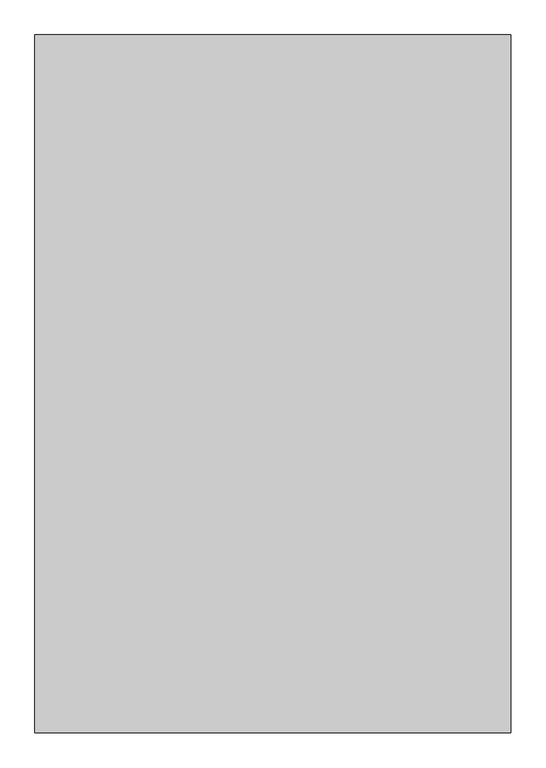
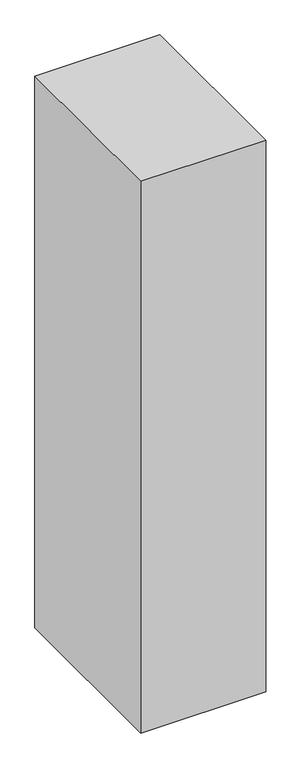
"""IFC4 building model written with IfcOpenShell, lengths in millimetres: proxy geometry."""

from ifc_helpers import new_model, si_unit, frame, origin, place, context, project, spatial, polyline, outline, extrude, source, transform, mapped, element, save


def generic_models_728df37e(model_context):
    return source(origin(), model_context, "Body", "SweptSolid", [
        extrude(outline(polyline([(1500.0, 1790.3998032), (1500.0, -409.6001968), (0.0, -409.6001968), (0.0, 1790.3998032), (1500.0, 1790.3998032)])), frame((0.0, 0.0, 1500.0), z_axis=(0.0, 0.0, 1.0), x_axis=(1.0, 0.0, 0.0)), (0.0, 0.0, 1.0), 7000.0),
    ])


if __name__ == "__main__":
    model = new_model("IFC4")
    model_context = context("Model", 3, world=origin())
    ifc_project = project(units=[si_unit("LENGTHUNIT", "METRE", prefix="MILLI")], contexts=[model_context])
    site = spatial("IfcSite", under=ifc_project)
    building = spatial("IfcBuilding", under=site)
    placement = place(None, origin())
    generic_models_shape = generic_models_728df37e(model_context)
    element("IfcBuildingElementProxy", 1, Name="Generic Models", at=placement, inside=building, context=model_context, shape_type="MappedRepresentation", body=[
        mapped(generic_models_shape, transform((0.0, 0.0, 0.0), x_axis=(1.0, 0.0, 0.0), y_axis=(0.0, 1.0, 0.0), z_axis=(0.0, 0.0, 1.0))),
    ])
    save(model, "model.ifc")
